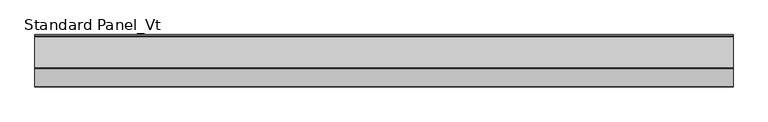
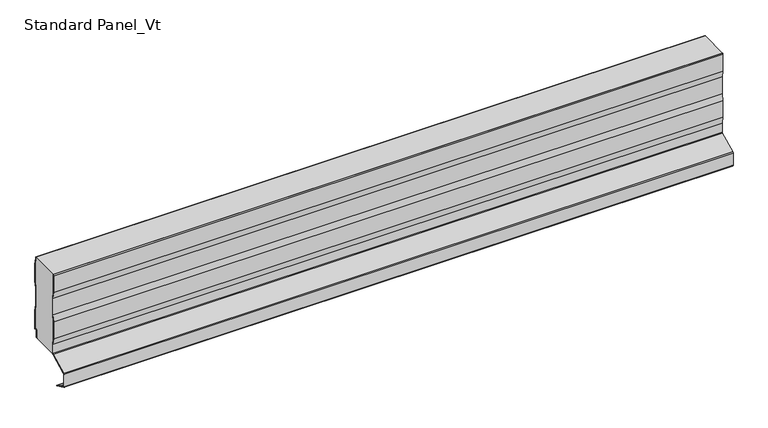
"""IFC4 building model written with IfcOpenShell, lengths in millimetres: proxy geometry, Standard Panel_Vt."""

from ifc_helpers import new_model, si_unit, point, frame, frame_2d, origin, place, context, project, spatial, polyline, circle_curve, trimmed, segment, composite_curve, outline, extrude, source, transform, mapped, element, save
from ifc_brep_helpers import plane_surface, cylinder_surface, revolved_surface, advanced_brep


def standard_panel_vt_50390ab8(model_context):
    return source(origin(), model_context, "Body", "SolidModel", [
        extrude(outline(composite_curve([segment(polyline([(-70.0, 216.59102), (-69.6446991, 218.7), (-68.8334256, 218.7), (-69.2, 216.5241033), (-69.2, 178.448892), (-66.7, 163.6094989), (-66.7, 125.3634964), (-69.2, 110.5241033), (-69.2, 72.448892), (-66.7, 57.6094989), (-66.7, 37.3959608)]), True, "CONTINUOUS"), segment(trimmed(circle_curve(frame_2d((-69.8, 37.3959608)), 3.1), [point((-66.7, 37.3959608))], [point((-68.4162325, 34.6219407))], False, "CARTESIAN"), True, "CONTINUOUS"), segment(polyline([(-68.4162325, 34.6219407), (-106.910808, 15.419649)]), True, "CONTINUOUS"), segment(trimmed(circle_curve(frame_2d((-106.241243, 14.0773812)), 1.5), [point((-106.910808, 15.419649))], [point((-107.741243, 14.0773812))], True, "CARTESIAN"), True, "CONTINUOUS"), segment(polyline([(-107.741243, 14.0773812), (-107.741243, -14.0773812)]), True, "CONTINUOUS"), segment(trimmed(circle_curve(frame_2d((-106.241243, -14.0773812)), 1.5), [point((-107.741243, -14.0773812))], [point((-106.9113932, -15.4193569))], True, "CARTESIAN"), True, "CONTINUOUS"), segment(polyline([(-106.9113932, -15.4193569), (-94.7640727, -21.4854346), (-94.4066593, -20.7697142), (-81.7026227, -27.1138024)]), True, "CONTINUOUS"), segment(trimmed(circle_curve(frame_2d((-82.0600361, -27.8295227)), 0.8), [point((-81.7026227, -27.1138024))], [point((-82.4174495, -28.5452431))], False, "CARTESIAN"), True, "CONTINUOUS"), segment(polyline([(-82.4174495, -28.5452431), (-107.2688066, -16.1350773)]), True, "CONTINUOUS"), segment(trimmed(circle_curve(frame_2d((-106.241243, -14.0773812)), 2.3), [point((-107.2688066, -16.1350773))], [point((-108.541243, -14.0773812))], False, "CARTESIAN"), True, "CONTINUOUS"), segment(polyline([(-108.541243, -14.0773812), (-108.541243, 14.0773812)]), True, "CONTINUOUS"), segment(trimmed(circle_curve(frame_2d((-106.241243, 14.0773812)), 2.3), [point((-108.541243, 14.0773812))], [point((-107.2679093, 16.1355252))], False, "CARTESIAN"), True, "CONTINUOUS"), segment(polyline([(-107.2679093, 16.1355252), (-68.7733338, 35.3378168)]), True, "CONTINUOUS"), segment(trimmed(circle_curve(frame_2d((-69.8, 37.3959608)), 2.3), [point((-68.7733338, 35.3378168))], [point((-67.5, 37.3959608))], True, "CARTESIAN"), True, "CONTINUOUS"), segment(polyline([(-67.5, 37.3959608), (-67.5, 57.5425822), (-70.0, 72.3819753), (-70.0, 110.59102), (-67.5, 125.4304131), (-67.5, 163.5425822), (-70.0, 178.3819753), (-70.0, 216.59102)]), True, "CONTINUOUS")], self_intersect=False)), frame((-723.9042608, 0.0, 0.0), z_axis=(1.0, 0.0, 0.0), x_axis=(0.0, 1.0, 0.0)), (0.0, 0.0, 1.0), 1447.8085217),
        extrude(outline(composite_curve([segment(polyline([(-3.3, 215.5071471), (-3.3, 218.7), (-2.5, 218.7), (-2.5, 215.5733571), (0.0, 200.5733571), (0.0, 162.5733571), (-2.5, 147.5733571), (-2.5, 109.5733571), (0.0, 94.5733571), (0.0, 53.7672219)]), True, "CONTINUOUS"), segment(trimmed(circle_curve(frame_2d((-1.0, 53.7672219)), 1.0), [point((0.0, 53.7672219))], [point((-1.5443119, 52.928339))], False, "CARTESIAN"), True, "CONTINUOUS"), segment(polyline([(-1.5443119, 52.928339), (-3.7558601, 54.3633094)]), True, "CONTINUOUS"), segment(trimmed(circle_curve(frame_2d((-4.3001721, 53.5244265)), 1.0), [point((-3.7558601, 54.3633094))], [point((-5.3001721, 53.5244265))], True, "CARTESIAN"), True, "CONTINUOUS"), segment(polyline([(-5.3001721, 53.5244265), (-5.3001721, 37.9383564)]), True, "CONTINUOUS"), segment(trimmed(circle_curve(frame_2d((-7.4001714, 37.9383564)), 2.0999993), [point((-5.3001721, 37.9383564))], [point((-7.4001714, 35.8383571))], False, "CARTESIAN"), True, "CONTINUOUS"), segment(polyline([(-7.4001714, 35.8383571), (-9.4001722, 35.8383571), (-9.4001722, 36.6383571), (-7.4001714, 36.6383571)]), True, "CONTINUOUS"), segment(trimmed(circle_curve(frame_2d((-7.4001714, 37.9383564)), 1.2999993), [point((-7.4001714, 36.6383571))], [point((-6.1001721, 37.9383564))], True, "CARTESIAN"), True, "CONTINUOUS"), segment(polyline([(-6.1001721, 37.9383564), (-6.1001721, 53.5244265)]), True, "CONTINUOUS"), segment(trimmed(circle_curve(frame_2d((-4.3001721, 53.5244265)), 1.8), [point((-6.1001721, 53.5244265))], [point((-3.3204106, 55.0344157))], False, "CARTESIAN"), True, "CONTINUOUS"), segment(polyline([(-3.3204106, 55.0344157), (-0.8, 53.3990389), (-0.8, 94.5071471), (-3.3, 109.5071471), (-3.3, 147.6395671), (-0.8, 162.6395671), (-0.8, 200.5071471), (-3.3, 215.5071471)]), True, "CONTINUOUS")], self_intersect=False)), frame((-723.9042608, 0.0, 0.0), z_axis=(1.0, 0.0, 0.0), x_axis=(0.0, 1.0, 0.0)), (0.0, 0.0, 1.0), 1447.8085217),
        advanced_brep(
        [(-723.9042608, -69.2, 216.5241033), (-723.9042608, -68.8334256, 218.7), (-723.9042608, -3.3, 218.7), (-723.9042608, -3.3, 215.5071471), (-723.9042608, -0.8, 200.5071471), (-723.9042608, -0.8, 162.6395671), (-723.9042608, -3.3, 147.6395671), (-723.9042608, -3.3, 109.5071471), (-723.9042608, -0.8, 94.5071471), (-723.9042608, -0.8, 53.3990389), (-723.9042608, -3.3204106, 55.0344157), (-723.9042608, -6.1001721, 53.5244265), (-723.9042608, -6.1001721, 37.9383564), (-723.9042608, -7.4001714, 36.6383571), (-723.9042608, -9.4001722, 36.6383571), (-723.9042608, -9.4001722, 35.8), (-723.9042608, -67.1622719, 35.7673446), (-723.9042608, -66.7, 37.3959608), (-723.9042608, -66.7, 57.6094989), (-723.9042608, -69.2, 72.448892), (-723.9042608, -69.2, 110.5241033), (-723.9042608, -66.7, 125.3634964), (-723.9042608, -66.7, 163.6094989), (-723.9042608, -69.2, 178.448892), (723.9042608, -67.1622719, 35.7673446), (723.9042608, -9.4001722, 35.8), (723.9042608, -9.4001722, 36.6383571), (723.9042608, -7.4001714, 36.6383571), (723.9042608, -6.1001721, 37.9383564), (723.9042608, -6.1001721, 53.5244265), (723.9042608, -3.3204106, 55.0344157), (723.9042608, -0.8, 53.3990389), (723.9042608, -0.8, 94.5071471), (723.9042608, -3.3, 109.5071471), (723.9042608, -3.3, 147.6395671), (723.9042608, -0.8, 162.6395671), (723.9042608, -0.8, 200.5071471), (723.9042608, -3.3, 215.5071471), (723.9042608, -3.3, 218.7), (723.9042608, -68.8334256, 218.7), (723.9042608, -69.2, 216.5241033), (723.9042608, -69.2, 178.448892), (723.9042608, -66.7, 163.6094989), (723.9042608, -66.7, 125.3634964), (723.9042608, -69.2, 110.5241033), (723.9042608, -69.2, 72.448892), (723.9042608, -66.7, 57.6094989), (723.9042608, -66.7, 37.3959608)],
        [
            (0, 1),
            (1, 2),
            (2, 3),
            (3, 4),
            (4, 5),
            (5, 6),
            (6, 7),
            (7, 8),
            (8, 9),
            (9, 10),
            (10, 11, circle_curve(frame((-723.9042608, -4.3001721, 53.5244265), z_axis=(1.0, 0.0, 0.0), x_axis=(0.0, 0.0, 1.0)), 1.8)),
            (11, 12),
            (12, 13, circle_curve(frame((-723.9042608, -7.4001714, 37.9383564), z_axis=(-1.0, 0.0, 0.0), x_axis=(0.0, 0.0, 1.0)), 1.2999993)),
            (13, 14),
            (14, 15),
            (15, 16),
            (16, 17, circle_curve(frame((-723.9042608, -69.8, 37.3959608), z_axis=(1.0, 0.0, 0.0), x_axis=(0.0, 0.0, 1.0)), 3.1)),
            (17, 18),
            (18, 19),
            (19, 20),
            (20, 21),
            (21, 22),
            (22, 23),
            (23, 0),
            (24, 25),
            (25, 26),
            (26, 27),
            (27, 28, circle_curve(frame((723.9042608, -7.4001714, 37.9383564), z_axis=(1.0, 0.0, 0.0), x_axis=(0.0, 0.0, 1.0)), 1.2999993)),
            (28, 29),
            (29, 30, circle_curve(frame((723.9042608, -4.3001721, 53.5244265), z_axis=(-1.0, 0.0, 0.0), x_axis=(0.0, 0.0, 1.0)), 1.8)),
            (30, 31),
            (31, 32),
            (32, 33),
            (33, 34),
            (34, 35),
            (35, 36),
            (36, 37),
            (37, 38),
            (38, 39),
            (39, 40),
            (40, 41),
            (41, 42),
            (42, 43),
            (43, 44),
            (44, 45),
            (45, 46),
            (46, 47),
            (47, 24, circle_curve(frame((723.9042608, -69.8, 37.3959608), z_axis=(-1.0, 0.0, 0.0), x_axis=(0.0, 0.0, 1.0)), 3.1)),
            (15, 25),
            (24, 16),
            (47, 17),
            (46, 18),
            (45, 19),
            (44, 20),
            (43, 21),
            (42, 22),
            (41, 23),
            (40, 0),
            (39, 1),
            (14, 26),
            (2, 38),
            (37, 3),
            (36, 4),
            (35, 5),
            (34, 6),
            (33, 7),
            (32, 8),
            (31, 9),
            (30, 10),
            (29, 11),
            (28, 12),
            (27, 13),
        ],
        [
            plane_surface(frame((-723.9042608, -69.2, 500.0), z_axis=(-1.0, 0.0, 0.0), x_axis=(0.0, 1.0, 0.0))),
            plane_surface(frame((723.9042608, -69.2, 500.0), z_axis=(1.0, 0.0, 0.0), x_axis=(0.0, 1.0, 0.0))),
            plane_surface(frame((-723.9042608, -67.1622719, 35.7673446), z_axis=(0.0, 0.0, -1.0), x_axis=(1.0, 0.0, 0.0))),
            revolved_surface(polyline([(723.9042608, -69.8, 40.4959608), (-723.9042608, -69.8, 40.4959608)]), (-723.9042608, -69.8, 37.3959608), (1.0, 0.0, 0.0)),
            plane_surface(frame((-723.9042608, -66.7, 57.6094989), z_axis=(0.0, -1.0, 0.0), x_axis=(1.0, 0.0, 0.0))),
            plane_surface(frame((-723.9042608, -69.2, 72.448892), z_axis=(0.0, -0.9861039564577467, -0.16612942863435845), x_axis=(1.0, 0.0, 0.0))),
            plane_surface(frame((-723.9042608, -69.2, 110.5241033), z_axis=(0.0, -1.0, 0.0), x_axis=(1.0, 0.0, 0.0))),
            plane_surface(frame((-723.9042608, -66.7, 125.3634964), z_axis=(0.0, -0.9861039564577161, 0.1661294286345407), x_axis=(1.0, 0.0, 0.0))),
            plane_surface(frame((-723.9042608, -66.7, 163.6094989), z_axis=(0.0, -1.0, 0.0), x_axis=(1.0, 0.0, 0.0))),
            plane_surface(frame((-723.9042608, -69.2, 178.448892), z_axis=(0.0, -0.986103956457719, -0.16612942863452348), x_axis=(1.0, 0.0, 0.0))),
            plane_surface(frame((-723.9042608, -69.2, 216.5241033), z_axis=(0.0, -1.0, 0.0), x_axis=(1.0, 0.0, 0.0))),
            plane_surface(frame((-723.9042608, -66.7, 231.3634964), z_axis=(0.0, -0.9861039564577161, 0.1661294286345407), x_axis=(1.0, 0.0, 0.0))),
            plane_surface(frame((723.9042608, -9.4001722, 1035.8), z_axis=(0.0, 1.0, 0.0), x_axis=(-1.0, 0.0, 0.0))),
            plane_surface(frame((-723.9042608, -3.3, 215.5071471), z_axis=(0.0, 1.0, 0.0), x_axis=(1.0, 0.0, 0.0))),
            plane_surface(frame((-723.9042608, -0.8, 200.5071471), z_axis=(0.0, 0.9863939238321462, 0.1643989873053435), x_axis=(1.0, 0.0, 0.0))),
            plane_surface(frame((-723.9042608, -0.8, 162.6395671), z_axis=(0.0, 1.0, 0.0), x_axis=(1.0, 0.0, 0.0))),
            plane_surface(frame((-723.9042608, -3.3, 147.6395671), z_axis=(0.0, 0.9863939238321415, -0.16439898730537109), x_axis=(1.0, 0.0, 0.0))),
            plane_surface(frame((-723.9042608, -3.3, 109.5071471), z_axis=(0.0, 1.0, 0.0), x_axis=(1.0, 0.0, 0.0))),
            plane_surface(frame((-723.9042608, -0.8, 94.5071471), z_axis=(0.0, 0.9863939238321769, 0.16439898730515876), x_axis=(1.0, 0.0, 0.0))),
            plane_surface(frame((-723.9042608, -0.8, 53.3990389), z_axis=(0.0, 1.0, 0.0), x_axis=(1.0, 0.0, 0.0))),
            plane_surface(frame((-723.9042608, -3.3204106, 55.0344157), z_axis=(0.0, -0.5443119480359504, -0.8388828900539747), x_axis=(1.0, 0.0, 0.0))),
            revolved_surface(polyline([(723.9042608, -4.3001721, 55.324426499999994), (-723.9042608, -4.3001721, 55.324426499999994)]), (-723.9042608, -4.3001721, 53.5244265), (1.0, 0.0, 0.0)),
            plane_surface(frame((-723.9042608, -6.1001721, 37.9383564), z_axis=(0.0, 1.0, 0.0), x_axis=(1.0, 0.0, 0.0))),
            cylinder_surface(frame((-723.9042608, -7.4001714, 37.9383564), z_axis=(-1.0, 0.0, 0.0), x_axis=(0.0, 0.0, 1.0)), 1.2999993),
            plane_surface(frame((-723.9042608, -9.4001722, 36.6383571), z_axis=(0.0, 0.0, -1.0), x_axis=(1.0, 0.0, 0.0))),
            plane_surface(frame((723.9042608, 49.2, 218.7), z_axis=(0.0, 0.0, 1.0), x_axis=(-1.0, 0.0, 0.0))),
        ],
        [
            (0, [[1, 2, 3, 4, 5, 6, 7, 8, 9, 10, 11, 12, 13, 14, 15, 16, 17, 18, 19, 20, 21, 22, 23, 24]]),
            (1, [[25, 26, 27, 28, 29, 30, 31, 32, 33, 34, 35, 36, 37, 38, 39, 40, 41, 42, 43, 44, 45, 46, 47, 48]]),
            (2, [[-16, 49, -25, 50]]),
            (3, [[-50, -48, 51, -17]]),
            (4, [[-51, -47, 52, -18]]),
            (5, [[-52, -46, 53, -19]]),
            (6, [[-53, -45, 54, -20]]),
            (7, [[-54, -44, 55, -21]]),
            (8, [[-55, -43, 56, -22]]),
            (9, [[-56, -42, 57, -23]]),
            (10, [[-57, -41, 58, -24]]),
            (11, [[-40, 59, -1, -58]]),
            (12, [[-15, 60, -26, -49]]),
            (13, [[-3, 61, -38, 62]]),
            (14, [[-62, -37, 63, -4]]),
            (15, [[-63, -36, 64, -5]]),
            (16, [[-64, -35, 65, -6]]),
            (17, [[-65, -34, 66, -7]]),
            (18, [[-66, -33, 67, -8]]),
            (19, [[-67, -32, 68, -9]]),
            (20, [[-68, -31, 69, -10]]),
            (21, [[-69, -30, 70, -11]]),
            (22, [[-70, -29, 71, -12]]),
            (23, [[-71, -28, 72, -13]]),
            (24, [[-72, -27, -60, -14]]),
            (25, [[-59, -39, -61, -2]]),
        ],
    ),
    ])


if __name__ == "__main__":
    model = new_model("IFC4")
    model_context = context("Model", 3, world=origin())
    ifc_project = project(units=[si_unit("LENGTHUNIT", "METRE", prefix="MILLI")], contexts=[model_context])
    site = spatial("IfcSite", under=ifc_project)
    building = spatial("IfcBuilding", under=site)
    placement = place(None, origin())
    standard_panel_vt_shape = standard_panel_vt_50390ab8(model_context)
    element("IfcBuildingElementProxy", 1, Name="Standard Panel_Vt", ObjectType="Standard Panel_Vt", at=placement, inside=building, context=model_context, shape_type="MappedRepresentation", body=[
        mapped(standard_panel_vt_shape, transform((0.0, 0.0, 0.0), x_axis=(1.0, 0.0, 0.0), y_axis=(0.0, 1.0, 0.0), z_axis=(0.0, 0.0, 1.0))),
    ])
    save(model, "model.ifc")
